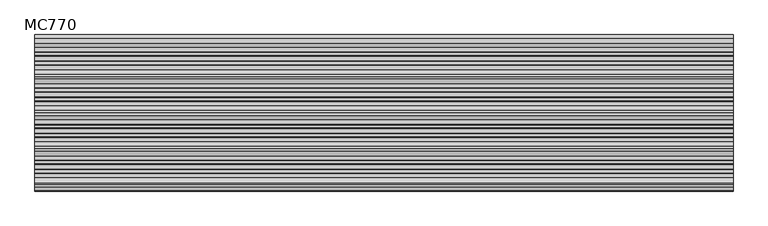
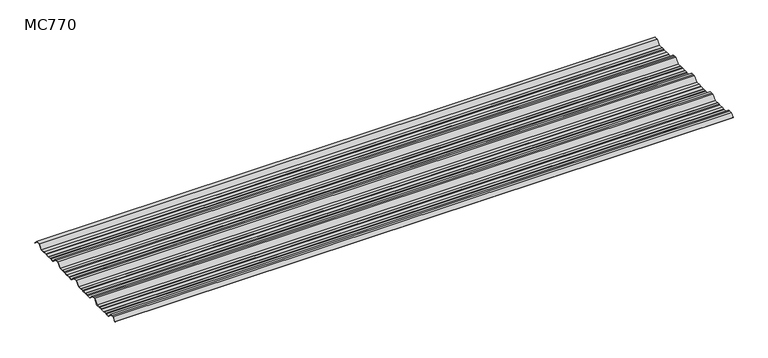
"""IFC4 building model written with IfcOpenShell, lengths in millimetres: beam geometry, MC770."""

from ifc_helpers import new_model, si_unit, point, frame, frame_2d, origin, place, context, project, spatial, polyline, circle_curve, trimmed, segment, composite_curve, outline, extrude, source, transform, mapped, element, save


def mc770_c0ea1aca(model_context):
    return source(origin(), model_context, "Body", "SweptSolid", [
        extrude(outline(composite_curve([segment(polyline([(-155.0000967, -25.7896475), (-180.574511, 0.2103525), (-192.5, 0.2103525), (-204.425489, 0.2103525), (-229.9999033, -25.7896475), (-252.6975582, -25.7896475), (-255.9126024, -23.7494212), (-272.3405937, -23.7494212), (-276.7209114, -25.7896475), (-300.7790886, -25.7896475), (-305.1594063, -23.7494212), (-321.5873976, -23.7494212), (-324.8024418, -25.7896475), (-347.5000967, -25.7896475), (-373.074511, 0.2103525), (-385.0, 0.2103525), (-396.925489, 0.2103525), (-422.4999033, -25.7896475), (-445.1975582, -25.7896475), (-448.4126024, -23.7494212), (-464.8405937, -23.7494212), (-469.2209114, -25.7896475), (-493.2790886, -25.7896475), (-497.6594063, -23.7494212), (-514.0873976, -23.7494212), (-517.3024418, -25.7896475), (-540.0000967, -25.7896475), (-565.574511, 0.2103525), (-577.5, 0.2103525), (-589.425489, 0.2103525), (-614.9999033, -25.7896475), (-637.6975582, -25.7896475), (-640.9126024, -23.7494212), (-657.3405937, -23.7494212), (-661.7209114, -25.7896475), (-685.7790886, -25.7896475), (-690.1594063, -23.7494212), (-706.5873976, -23.7494212), (-709.8024418, -25.7896475), (-732.5000967, -25.7896475), (-758.074511, 0.2103525), (-770.0, 0.2103525), (-781.925489, 0.2103525), (-801.261749, -19.4476836)]), True, "CONTINUOUS"), segment(trimmed(circle_curve(frame_2d((-801.651258, -19.0516927)), 0.5554513), [point((-801.261749, -19.4476836))], [point((-802.0472489, -18.6621836))], False, "CARTESIAN"), True, "CONTINUOUS"), segment(polyline([(-802.0472489, -18.6621836), (-782.5, 1.2103525), (-770.0, 1.2103525), (-757.5, 1.2103525), (-731.9255858, -24.7896475), (-710.0929563, -24.7896475), (-706.8779121, -22.7494212), (-689.9379428, -22.7494212), (-685.5576251, -24.7896475), (-661.9423749, -24.7896475), (-657.5620572, -22.7494212), (-640.6220879, -22.7494212), (-637.4070437, -24.7896475), (-615.5744142, -24.7896475), (-590.0, 1.2103525), (-577.5, 1.2103525), (-565.0, 1.2103525), (-539.4255858, -24.7896475), (-517.5929563, -24.7896475), (-514.3779121, -22.7494212), (-497.4379428, -22.7494212), (-493.0576251, -24.7896475), (-469.4423749, -24.7896475), (-465.0620572, -22.7494212), (-448.1220879, -22.7494212), (-444.9070437, -24.7896475), (-423.0744142, -24.7896475), (-397.5, 1.2103525), (-385.0, 1.2103525), (-372.5, 1.2103525), (-346.9255858, -24.7896475), (-325.0929563, -24.7896475), (-321.8779121, -22.7494212), (-304.9379428, -22.7494212), (-300.5576251, -24.7896475), (-276.9423749, -24.7896475), (-272.5620572, -22.7494212), (-255.6220879, -22.7494212), (-252.4070437, -24.7896475), (-230.5744142, -24.7896475), (-205.0, 1.2103525), (-192.5, 1.2103525), (-180.0, 1.2103525), (-154.4255858, -24.7896475), (-132.5929563, -24.7896475), (-129.3779121, -22.7494212), (-112.4379428, -22.7494212), (-108.0576251, -24.7896475), (-84.4423749, -24.7896475), (-80.0620572, -22.7494212), (-63.1220879, -22.7494212), (-59.9070437, -24.7896475), (-35.113585, -24.7896475), (-11.5064334, -0.7896475), (11.5064334, -0.7896475), (31.651812, -21.2702668)]), True, "CONTINUOUS"), segment(trimmed(circle_curve(frame_2d((31.295329, -21.6209146)), 0.500034), [point((31.651812, -21.2702668))], [point((30.9446811, -21.9773977))], False, "CARTESIAN"), True, "CONTINUOUS"), segment(polyline([(30.9446811, -21.9773977), (11.0873778, -1.7896475), (-11.0873778, -1.7896475), (-34.6945294, -25.7896475), (-60.1975582, -25.7896475), (-63.4126024, -23.7494212), (-79.8405937, -23.7494212), (-84.2209114, -25.7896475), (-108.2790886, -25.7896475), (-112.6594063, -23.7494212), (-129.0873976, -23.7494212), (-132.3024418, -25.7896475), (-155.0000967, -25.7896475)]), True, "CONTINUOUS")], self_intersect=False)), frame((-1859.1906093, 0.0, 0.0), z_axis=(1.0, 0.0, 0.0), x_axis=(0.0, 1.0, 0.0)), (0.0, 0.0, 1.0), 3718.3812186),
    ])


if __name__ == "__main__":
    model = new_model("IFC4")
    model_context = context("Model", 3, world=origin())
    ifc_project = project(units=[si_unit("LENGTHUNIT", "METRE", prefix="MILLI")], contexts=[model_context])
    site = spatial("IfcSite", under=ifc_project)
    building = spatial("IfcBuilding", under=site)
    placement = place(None, origin())
    mc770_shape = mc770_c0ea1aca(model_context)
    element("IfcBeam", 1, ObjectType="MC770", at=placement, inside=building, context=model_context, shape_type="MappedRepresentation", body=[
        mapped(mc770_shape, transform((0.0, 0.0, 0.0), x_axis=(1.0, 0.0, 0.0), y_axis=(0.0, 1.0, 0.0), z_axis=(0.0, 0.0, 1.0))),
    ])
    save(model, "model.ifc")
